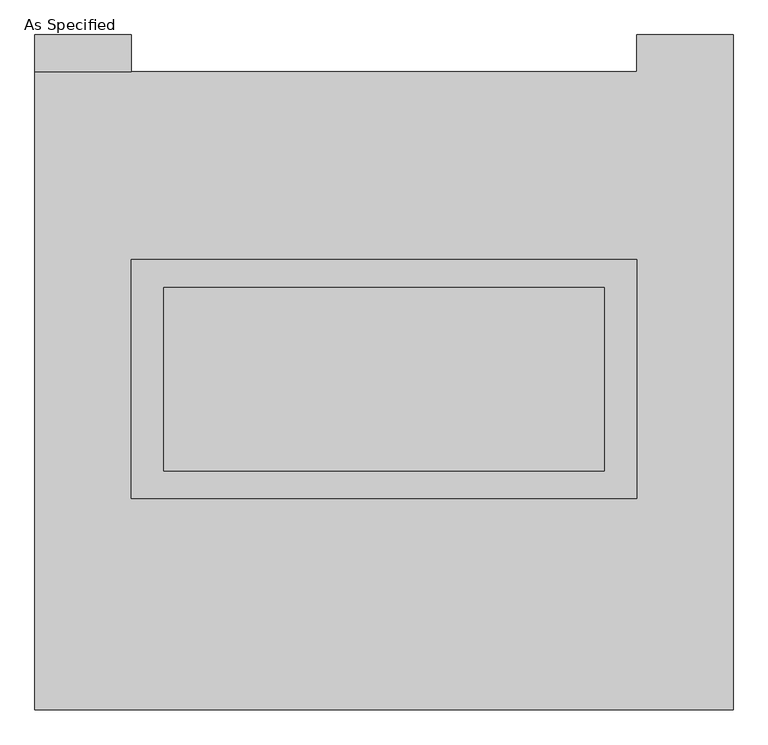
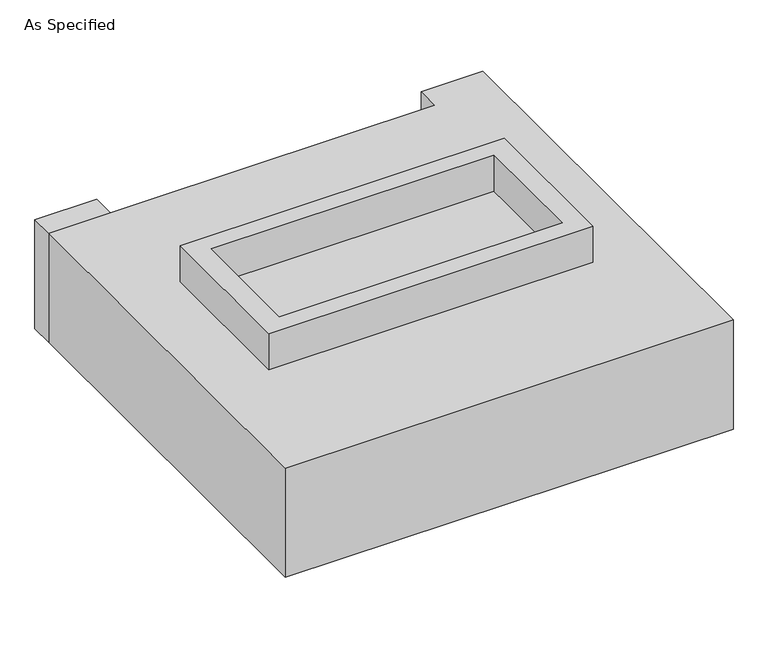
"""IFC4 building model written with IfcOpenShell, lengths in millimetres: proxy geometry, As Specified."""

from ifc_helpers import new_model, si_unit, frame, origin, place, context, project, spatial, polyline, outline, extrude, source, transform, mapped, element, save


def as_specified_790386b2(model_context):
    return source(origin(), model_context, "Body", "SweptSolid", [
        extrude(outline(polyline([(698.5, 361.95), (698.5, -298.45), (-698.5, -298.45), (-698.5, 361.95), (698.5, 361.95)]), holes=[polyline([(609.6, 285.75), (-609.6, 285.75), (-609.6, -222.25), (609.6, -222.25), (609.6, 285.75)])]), frame((0.0, 0.0, -688.975), z_axis=(0.0, 0.0, 1.0), x_axis=(1.0, 0.0, 0.0)), (0.0, 0.0, 1.0), 165.1),
        extrude(outline(polyline([(698.5, 361.95), (698.5, -298.45), (-698.5, -298.45), (-698.5, 361.95), (698.5, 361.95)]), holes=[polyline([(609.6, 285.75), (-609.6, 285.75), (-609.6, -222.25), (609.6, -222.25), (609.6, 285.75)])]), frame((0.0, 0.0, -25.4), z_axis=(0.0, 0.0, 1.0), x_axis=(1.0, 0.0, 0.0)), (0.0, 0.0, 1.0), 165.1),
        extrude(outline(polyline([(-698.5, 882.65), (-965.2, 882.65), (-965.2, 984.25), (-698.5, 984.25), (-698.5, 882.65)])), frame((0.0, 0.0, -523.875), z_axis=(0.0, 0.0, 1.0), x_axis=(1.0, 0.0, 0.0)), (0.0, 0.0, 1.0), 498.475),
        extrude(outline(polyline([(609.6, 285.75), (609.6, -222.25), (-609.6, -222.25), (-609.6, 285.75), (609.6, 285.75)])), frame((0.0, 0.0, -523.875), z_axis=(0.0, 0.0, 1.0), x_axis=(1.0, 0.0, 0.0)), (0.0, 0.0, 1.0), 4.9609375),
        extrude(outline(polyline([(609.6, 285.75), (609.6, -222.25), (-609.6, -222.25), (-609.6, 285.75), (609.6, 285.75)])), frame((0.0, 0.0, -30.3609375), z_axis=(0.0, 0.0, 1.0), x_axis=(1.0, 0.0, 0.0)), (0.0, 0.0, 1.0), 4.9609375),
        extrude(outline(polyline([(965.2, -882.65), (-965.2, -882.65), (-965.2, 882.65), (698.5, 882.65), (698.5, 984.25), (965.2, 984.25), (965.2, -882.65)]), holes=[polyline([(-698.5, 361.95), (-698.5, -298.45), (698.5, -298.45), (698.5, 361.95), (-698.5, 361.95)])]), frame((0.0, 0.0, -523.875), z_axis=(0.0, 0.0, 1.0), x_axis=(1.0, 0.0, 0.0)), (0.0, 0.0, 1.0), 498.475),
    ])


if __name__ == "__main__":
    model = new_model("IFC4")
    model_context = context("Model", 3, world=origin())
    ifc_project = project(units=[si_unit("LENGTHUNIT", "METRE", prefix="MILLI")], contexts=[model_context])
    site = spatial("IfcSite", under=ifc_project)
    building = spatial("IfcBuilding", under=site)
    placement = place(None, origin())
    as_specified_shape = as_specified_790386b2(model_context)
    element("IfcBuildingElementProxy", 1, Name="As Specified", ObjectType="As Specified", at=placement, inside=building, context=model_context, shape_type="MappedRepresentation", body=[
        mapped(as_specified_shape, transform((0.0, 0.0, 0.0), x_axis=(1.0, 0.0, 0.0), y_axis=(0.0, 1.0, 0.0), z_axis=(0.0, 0.0, 1.0))),
    ])
    save(model, "model.ifc")
